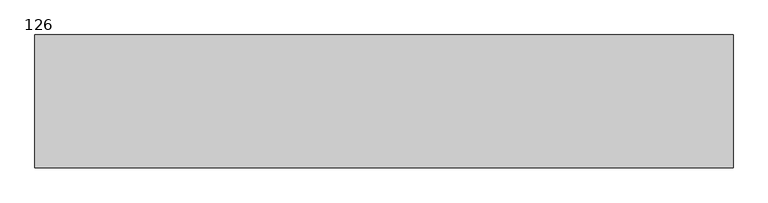
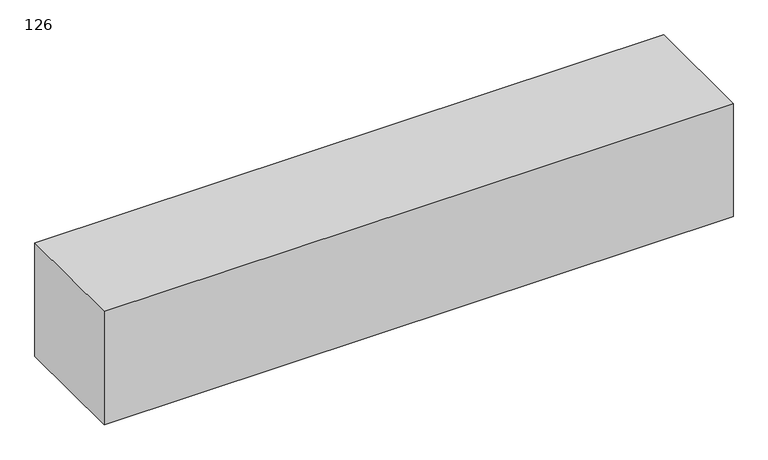
"""IFC4 building model written with IfcOpenShell, lengths in millimetres: proxy geometry, 126."""

from ifc_helpers import new_model, si_unit, frame, origin, place, context, project, spatial, polyline, outline, extrude, source, transform, mapped, element, save


def proxy_126_f7079a31(model_context):
    return source(origin(), model_context, "Body", "SweptSolid", [
        extrude(outline(polyline([(1862.534375, -304.8), (-1337.865625, -304.8), (-1337.865625, 304.8), (1862.534375, 304.8), (1862.534375, -304.8)])), frame((0.0, 0.0, 2133.6), z_axis=(0.0, 0.0, 1.0), x_axis=(1.0, 0.0, 0.0)), (0.0, 0.0, 1.0), 609.6),
    ])


if __name__ == "__main__":
    model = new_model("IFC4")
    model_context = context("Model", 3, world=origin())
    ifc_project = project(units=[si_unit("LENGTHUNIT", "METRE", prefix="MILLI")], contexts=[model_context])
    site = spatial("IfcSite", under=ifc_project)
    building = spatial("IfcBuilding", under=site)
    placement = place(None, origin())
    proxy_126_shape = proxy_126_f7079a31(model_context)
    element("IfcBuildingElementProxy", 1, Name="126", ObjectType="126", at=placement, inside=building, context=model_context, shape_type="MappedRepresentation", body=[
        mapped(proxy_126_shape, transform((0.0, 0.0, 0.0), x_axis=(1.0, 0.0, 0.0), y_axis=(0.0, 1.0, 0.0), z_axis=(0.0, 0.0, 1.0))),
    ])
    save(model, "model.ifc")
